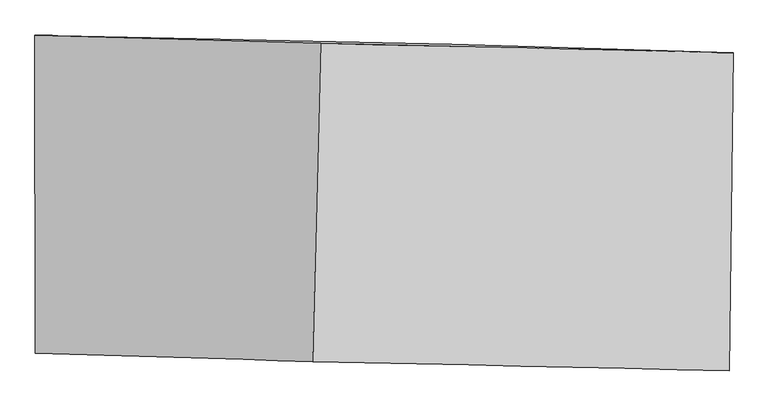
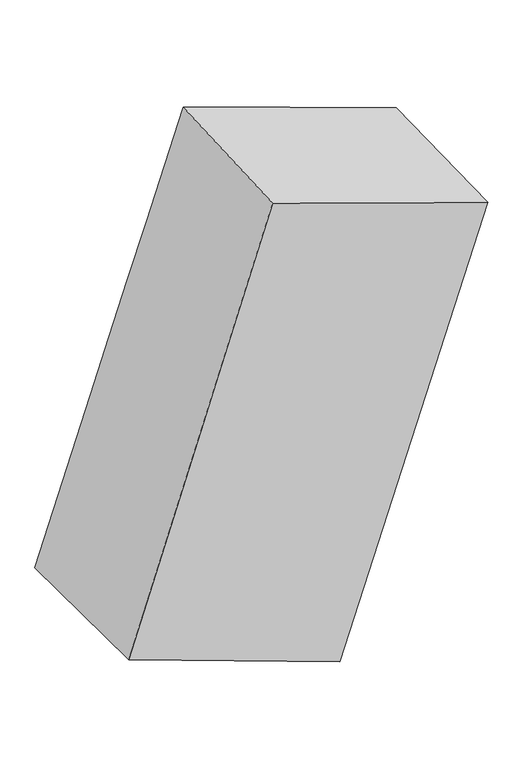
"""IFC4 building model written with IfcOpenShell, lengths in millimetres: proxy geometry."""

from ifc_helpers import new_model, si_unit, frame, origin, place, context, project, spatial, source, transform, mapped, element, save
from ifc_brep_helpers import plane_surface, spline_surface, advanced_brep


def generic_models_77725c2b(model_context):
    return source(origin(), model_context, "Body", "AdvancedBrep", [
        advanced_brep(
        [(263.1397778, -314.4995695, 6126.0809262), (-632.9576512, -287.7255421, 3431.2910366), (-609.1526645, 711.9897056, 3433.2928719), (275.593631, 685.4650283, 6131.8332985), (-1918.3083213, -259.5348178, 3874.7760281), (-1918.6285219, 740.7504283, 3867.8567911), (-1045.9888021, -285.7492262, 6561.6905898), (-1021.0577807, 713.9179185, 6573.1784578)],
        [
            (0, 1),
            (1, 2),
            (2, 3),
            (3, 0),
            (1, 4),
            (4, 5),
            (5, 2),
            (4, 6),
            (6, 7),
            (7, 5),
            (6, 0),
            (3, 7),
        ],
        [
            spline_surface(1, 1, [[(263.1397778, -314.4995695, 6126.0809262), (275.593631, 685.4650283, 6131.8332985)], [(-632.9576512, -287.7255421, 3431.2910366), (-609.1526645, 711.9897056, 3433.2928719)]], [2, 2], [2, 2], [0.0, 1.0], [0.0, 1.0]),
            spline_surface(1, 1, [[(-632.9576512, -287.7255421, 3431.2910366), (-609.1526645, 711.9897056, 3433.2928719)], [(-1918.3083213, -259.5348178, 3874.7760281), (-1918.6285219, 740.7504283, 3867.8567911)]], [2, 2], [2, 2], [0.0, 1.0], [0.0, 1.0]),
            spline_surface(1, 1, [[(-1918.3083213, -259.5348178, 3874.7760281), (-1918.6285219, 740.7504283, 3867.8567911)], [(-1045.9888021, -285.7492262, 6561.6905898), (-1021.0577807, 713.9179185, 6573.1784578)]], [2, 2], [2, 2], [0.0, 1.0], [0.0, 1.0]),
            spline_surface(1, 1, [[(-1045.9888021, -285.7492262, 6561.6905898), (-1021.0577807, 713.9179185, 6573.1784578)], [(263.1397778, -314.4995695, 6126.0809262), (275.593631, 685.4650283, 6131.8332985)]], [2, 2], [2, 2], [0.0, 1.0], [0.0, 1.0]),
            plane_surface(frame((-818.3113341, 713.0307702, 5001.5403548), z_axis=(0.02274422316194392, 0.9997385081028235, 0.002369752961956857), x_axis=(-0.31153038574245, 0.009339675121085137, -0.9501902910616341))),
            plane_surface(frame((-833.5287492, -286.8772889, 4998.4596452), z_axis=(-0.022744223161947037, -0.9997385081028233, -0.0023697529619615748), x_axis=(-0.9486438985034809, 0.02083358207327231, 0.315659176470626))),
        ],
        [
            (0, [[1, 2, 3, 4]]),
            (1, [[5, 6, 7, -2]]),
            (2, [[8, 9, 10, -6]]),
            (3, [[11, -4, 12, -9]]),
            (4, [[-3, -7, -10, -12]]),
            (5, [[-11, -8, -5, -1]]),
        ],
    ),
    ])


if __name__ == "__main__":
    model = new_model("IFC4")
    model_context = context("Model", 3, world=origin())
    ifc_project = project(units=[si_unit("LENGTHUNIT", "METRE", prefix="MILLI")], contexts=[model_context])
    site = spatial("IfcSite", under=ifc_project)
    building = spatial("IfcBuilding", under=site)
    placement = place(None, origin())
    generic_models_shape = generic_models_77725c2b(model_context)
    element("IfcBuildingElementProxy", 1, Name="Generic Models", at=placement, inside=building, context=model_context, shape_type="MappedRepresentation", body=[
        mapped(generic_models_shape, transform((0.0, 0.0, 0.0), x_axis=(1.0, 0.0, 0.0), y_axis=(0.0, 1.0, 0.0), z_axis=(0.0, 0.0, 1.0))),
    ])
    save(model, "model.ifc")
